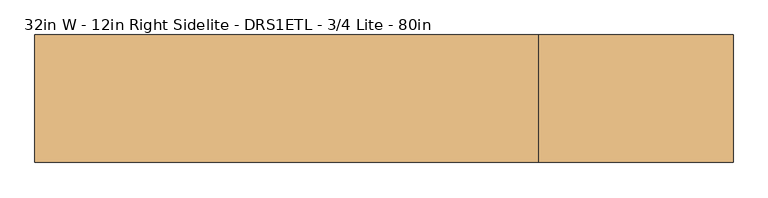
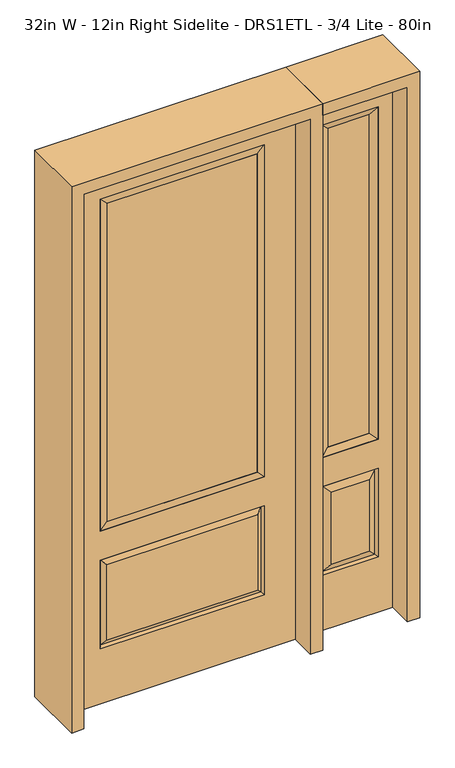
"""IFC4 building model written with IfcOpenShell, lengths in millimetres: door geometry, 32in W - 12in Right Sidelite - DRS1ETL - 3/4 Lite - 80in."""

from ifc_helpers import new_model, si_unit, frame, origin, place, context, project, spatial, polyline, outline, extrude, faceted_brep, source, transform, mapped, element, save


def door_32in_w_12in_right_sidelite_drs1etl_3_4_lite_80in_9de205ea(model_context):
    return source(origin(), model_context, "Body", "SolidModel", [
        faceted_brep([(450.85, -22.225, 0.0), (755.65, -22.225, 0.0), (755.65, -22.225, 2032.0), (450.85, -22.225, 2032.0), (703.58, -22.225, 1919.224), (703.58, -22.225, 657.098), (502.92, -22.225, 657.098), (502.92, -22.225, 1919.224), (703.58, -22.225, 209.55), (502.92, -22.225, 209.55), (502.92, -22.225, 546.1), (703.58, -22.225, 546.1), (534.6351001, -22.225, 241.2651001), (671.8648999, -22.225, 241.2651001), (671.8648999, -22.225, 514.3848999), (534.6351001, -22.225, 514.3848999), (450.85, 22.225, 0.0), (450.85, 22.225, 2032.0), (755.65, 22.225, 2032.0), (755.65, 22.225, 0.0), (703.58, 22.225, 1919.224), (502.92, 22.225, 1919.224), (502.92, 22.225, 657.098), (703.58, 22.225, 657.098), (502.92, 22.225, 209.55), (703.58, 22.225, 209.55), (703.58, 22.225, 546.1), (502.92, 22.225, 546.1), (671.8648999, 22.225, 241.2651001), (534.6351001, 22.225, 241.2651001), (534.6351001, 22.225, 514.3848999), (671.8648999, 22.225, 514.3848999), (696.4711499, 12.7912373, 216.6588501), (510.0288501, 12.7912373, 216.6588501), (510.0288501, 12.7912373, 538.9911499), (696.4711499, 12.7912373, 538.9911499), (510.0288501, -12.7912373, 216.6588501), (696.4711499, -12.7912373, 216.6588501), (510.0288501, -12.7912373, 538.9911499), (696.4711499, -12.7912373, 538.9911499)], [[[0, 1, 2, 3], [4, 5, 6, 7], [8, 9, 10, 11]], [[12, 13, 14, 15]], [[16, 17, 18, 19], [20, 21, 22, 23], [24, 25, 26, 27]], [[28, 29, 30, 31]], [[1, 0, 16, 19]], [[2, 1, 19, 18]], [[3, 2, 18, 17]], [[0, 3, 17, 16]], [[5, 4, 20, 23]], [[6, 5, 23, 22]], [[7, 6, 22, 21]], [[4, 7, 21, 20]], [[32, 33, 29, 28]], [[33, 32, 25, 24]], [[29, 33, 34, 30]], [[33, 24, 27, 34]], [[30, 34, 35, 31]], [[34, 27, 26, 35]], [[32, 28, 31, 35]], [[25, 32, 35, 26]], [[12, 36, 37, 13]], [[37, 36, 9, 8]], [[36, 12, 15, 38]], [[9, 36, 38, 10]], [[38, 15, 14, 39]], [[10, 38, 39, 11]], [[13, 37, 39, 14]], [[37, 8, 11, 39]]]),
        faceted_brep([(502.92, 22.225, 1919.224), (502.92, -22.225, 1919.224), (703.58, -22.225, 1919.224), (703.58, 22.225, 1919.224), (528.32, 12.7, 1893.824), (678.18, 12.7, 1893.824), (528.32, -12.7, 1893.824), (678.18, -12.7, 1893.824), (703.58, -22.225, 657.098), (703.58, 22.225, 657.098), (678.18, 12.7, 682.498), (678.18, -12.7, 682.498), (502.92, -22.225, 657.098), (502.92, 22.225, 657.098), (528.32, 12.7, 682.498), (528.32, -12.7, 682.498)], [[[0, 1, 2, 3]], [[4, 0, 3, 5]], [[6, 4, 5, 7]], [[1, 6, 7, 2]], [[3, 2, 8, 9]], [[5, 3, 9, 10]], [[7, 5, 10, 11]], [[2, 7, 11, 8]], [[9, 8, 12, 13]], [[10, 9, 13, 14]], [[11, 10, 14, 15]], [[8, 11, 15, 12]], [[13, 12, 1, 0]], [[14, 13, 0, 4]], [[15, 14, 4, 6]], [[12, 15, 6, 1]]]),
        extrude(outline(polyline([(678.18, -12.7), (528.32, -12.7), (528.32, 12.7), (678.18, 12.7), (678.18, -12.7)])), frame((0.0, 0.0, 682.498), z_axis=(0.0, 0.0, 1.0), x_axis=(1.0, 0.0, 0.0)), (0.0, 0.0, 1.0), 1211.326),
        faceted_brep([(-288.1661499, -12.7912373, 216.6588501), (288.1661499, -12.7912373, 216.6588501), (270.66875, -22.225, 234.15625), (-270.66875, -22.225, 234.15625), (-295.275, -22.225, 209.55), (295.275, -22.225, 209.55), (-288.1661499, -12.7912373, 538.9911499), (-295.275, -22.225, 546.1), (270.66875, -22.225, 521.49375), (-270.66875, -22.225, 521.49375), (406.4, -22.225, 2032.0), (-406.4, -22.225, 2032.0), (-406.4, -22.225, 0.0), (406.4, -22.225, 0.0), (295.275, -22.225, 546.1), (295.275, -22.225, 1917.7), (295.275, -22.225, 657.098), (-295.275, -22.225, 657.098), (-295.275, -22.225, 1917.7), (288.1661499, -12.7912373, 538.9911499), (-406.4, 22.225, 2032.0), (-406.4, 22.225, 0.0), (406.4, 22.225, 0.0), (406.4, 22.225, 2032.0), (295.275, 22.225, 1917.7), (295.275, 22.225, 657.098), (-295.275, 22.225, 657.098), (-295.275, 22.225, 1917.7), (-295.275, 22.225, 209.55), (295.275, 22.225, 209.55), (295.275, 22.225, 546.1), (-295.275, 22.225, 546.1), (270.66875, 22.225, 234.15625), (-270.66875, 22.225, 234.15625), (-270.66875, 22.225, 521.49375), (270.66875, 22.225, 521.49375), (-288.1661499, 12.7912373, 216.6588501), (288.1661499, 12.7912373, 216.6588501), (288.1661499, 12.7912373, 538.9911499), (-288.1661499, 12.7912373, 538.9911499)], [[[0, 1, 2, 3]], [[1, 0, 4, 5]], [[4, 0, 6, 7]], [[3, 2, 8, 9]], [[10, 11, 12, 13], [5, 4, 7, 14], [15, 16, 17, 18]], [[1, 5, 14, 19]], [[2, 1, 19, 8]], [[0, 3, 9, 6]], [[7, 6, 19, 14]], [[6, 9, 8, 19]], [[12, 11, 20, 21]], [[13, 12, 21, 22]], [[10, 13, 22, 23]], [[16, 15, 24, 25]], [[17, 16, 25, 26]], [[18, 17, 26, 27]], [[23, 22, 21, 20], [28, 29, 30, 31], [24, 27, 26, 25]], [[32, 33, 34, 35]], [[28, 36, 37, 29]], [[29, 37, 38, 30]], [[39, 31, 30, 38]], [[36, 28, 31, 39]], [[37, 36, 33, 32]], [[33, 36, 39, 34]], [[34, 39, 38, 35]], [[37, 32, 35, 38]], [[11, 10, 23, 20]], [[15, 18, 27, 24]]]),
        faceted_brep([(-295.275, -22.225, 1917.7), (-295.275, 22.225, 1917.7), (-295.275, 22.225, 657.098), (-295.275, -22.225, 657.098), (295.275, 22.225, 657.098), (295.275, -22.225, 657.098), (-269.875, 5.08, 682.498), (269.875, 5.08, 682.498), (295.275, 22.225, 1917.7), (295.275, -22.225, 1917.7), (-269.875, -20.32, 682.498), (269.875, -20.32, 682.498), (-269.875, -20.32, 1892.3), (269.875, -20.32, 1892.3), (-269.875, 5.08, 1892.3), (269.875, 5.08, 1892.3)], [[[0, 1, 2, 3]], [[3, 2, 4, 5]], [[2, 6, 7, 4]], [[5, 4, 8, 9]], [[10, 3, 5, 11]], [[12, 0, 3, 10]], [[11, 5, 9, 13]], [[6, 10, 11, 7]], [[14, 12, 10, 6]], [[7, 11, 13, 15]], [[1, 14, 6, 2]], [[4, 7, 15, 8]], [[9, 8, 1, 0]], [[13, 9, 0, 12]], [[15, 13, 12, 14]], [[8, 15, 14, 1]]]),
        extrude(outline(polyline([(269.875, -20.32), (-269.875, -20.32), (-269.875, 5.08), (269.875, 5.08), (269.875, -20.32)])), frame((0.0, 0.0, 682.498), z_axis=(0.0, 0.0, 1.0), x_axis=(1.0, 0.0, 0.0)), (0.0, 0.0, 1.0), 1209.802),
        extrude(outline(polyline([(2076.45, -450.85), (0.0, -450.85), (0.0, -406.4), (2032.0, -406.4), (2032.0, 406.4), (0.0, 406.4), (0.0, 450.85), (2076.45, 450.85), (2076.45, -450.85)])), frame((0.0, -114.3, 0.0), z_axis=(0.0, 1.0, 0.0), x_axis=(0.0, 0.0, 1.0)), (0.0, 0.0, 1.0), 228.6),
        extrude(outline(polyline([(0.0, 755.65), (0.0, 800.1), (2076.45, 800.1), (2076.45, 450.85), (2032.0, 450.85), (2032.0, 755.65), (0.0, 755.65)])), frame((0.0, -114.3, 0.0), z_axis=(0.0, 1.0, 0.0), x_axis=(0.0, 0.0, 1.0)), (0.0, 0.0, 1.0), 228.6),
    ])


if __name__ == "__main__":
    model = new_model("IFC4")
    model_context = context("Model", 3, world=origin())
    ifc_project = project(units=[si_unit("LENGTHUNIT", "METRE", prefix="MILLI")], contexts=[model_context])
    site = spatial("IfcSite", under=ifc_project)
    building = spatial("IfcBuilding", under=site)
    placement = place(None, origin())
    door_32in_w_12in_right_sidelite_drs1etl_3_4_lite_80in_shape = door_32in_w_12in_right_sidelite_drs1etl_3_4_lite_80in_9de205ea(model_context)
    element("IfcDoor", 1, ObjectType="32in W - 12in Right Sidelite - DRS1ETL - 3/4 Lite - 80in", at=placement, inside=building, context=model_context, shape_type="MappedRepresentation", body=[
        mapped(door_32in_w_12in_right_sidelite_drs1etl_3_4_lite_80in_shape, transform((0.0, 0.0, 0.0), x_axis=(1.0, 0.0, 0.0), y_axis=(0.0, 1.0, 0.0), z_axis=(0.0, 0.0, 1.0))),
    ])
    save(model, "model.ifc")
